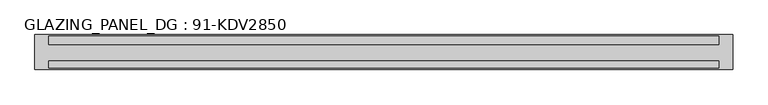
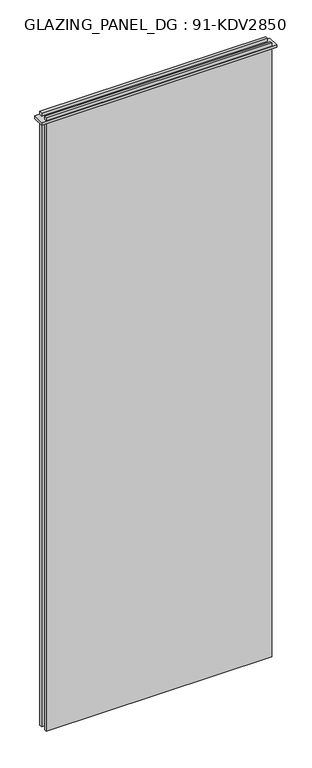
"""IFC4 building model written with IfcOpenShell, lengths in millimetres: plate geometry, GLAZING_PANEL_DG : 91-KDV2850."""

from ifc_helpers import new_model, si_unit, frame, origin, place, context, project, spatial, polyline, outline, extrude, source, transform, mapped, element, save


def glazing_panel_dg_91_kdv2850_81d7354b(model_context):
    return source(origin(), model_context, "Body", "SweptSolid", [
        extrude(outline(polyline([(480.0, -23.0), (-480.0, -23.0), (-480.0, -13.0), (480.0, -13.0), (480.0, -23.0)])), frame((0.0, 0.0, -12.0), z_axis=(0.0, 0.0, 1.0), x_axis=(1.0, 0.0, 0.0)), (0.0, 0.0, 1.0), 2760.0),
        extrude(outline(polyline([(480.0, 11.0), (-480.0, 11.0), (-480.0, 23.0), (480.0, 23.0), (480.0, 11.0)])), frame((0.0, 0.0, -12.0), z_axis=(0.0, 0.0, 1.0), x_axis=(1.0, 0.0, 0.0)), (0.0, 0.0, 1.0), 2760.0),
        extrude(outline(polyline([(500.0, 25.0), (500.0, -25.0), (-500.0, -25.0), (-500.0, 25.0), (500.0, 25.0)])), frame((0.0, 0.0, 2722.0), z_axis=(0.0, 0.0, 1.0), x_axis=(1.0, 0.0, 0.0)), (0.0, 0.0, 1.0), 12.0),
    ])


if __name__ == "__main__":
    model = new_model("IFC4")
    model_context = context("Model", 3, world=origin())
    ifc_project = project(units=[si_unit("LENGTHUNIT", "METRE", prefix="MILLI")], contexts=[model_context])
    site = spatial("IfcSite", under=ifc_project)
    building = spatial("IfcBuilding", under=site)
    placement = place(None, origin())
    glazing_panel_dg_91_kdv2850_shape = glazing_panel_dg_91_kdv2850_81d7354b(model_context)
    element("IfcPlate", 1, ObjectType="GLAZING_PANEL_DG : 91-KDV2850", at=placement, inside=building, context=model_context, shape_type="MappedRepresentation", body=[
        mapped(glazing_panel_dg_91_kdv2850_shape, transform((0.0, 0.0, 0.0), x_axis=(1.0, 0.0, 0.0), y_axis=(0.0, 1.0, 0.0), z_axis=(0.0, 0.0, 1.0))),
    ])
    save(model, "model.ifc")
